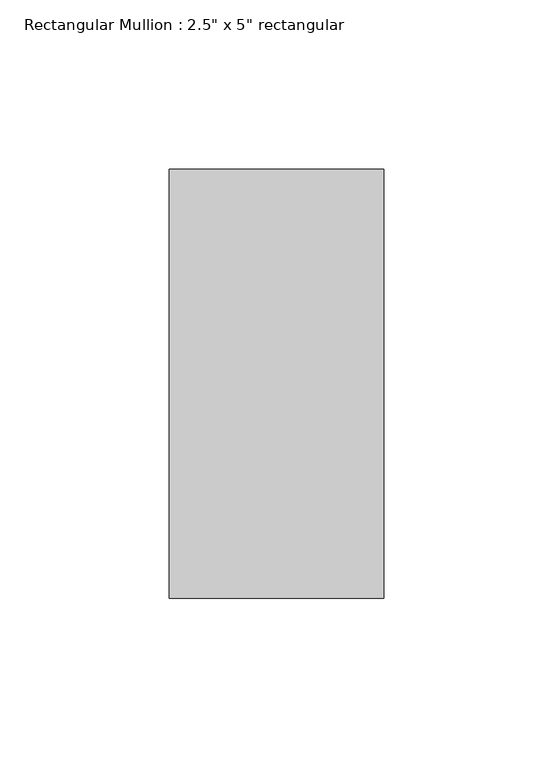
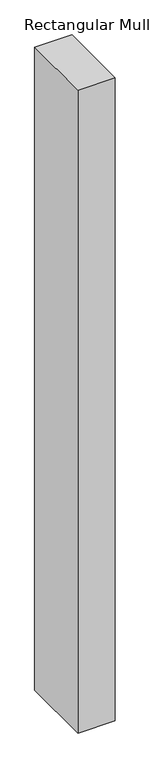
"""IFC4 building model written with IfcOpenShell, lengths in millimetres: member geometry."""

from ifc_helpers import new_model, si_unit, frame, origin, place, context, project, spatial, polyline, outline, extrude, source, transform, mapped, element, save


def member_bcc63a28(model_context):
    return source(origin(), model_context, "Body", "SweptSolid", [
        extrude(outline(polyline([(0.0, 63.5), (0.0, -63.5), (-63.5, -63.5), (-63.5, 63.5), (0.0, 63.5)])), frame((0.0, 0.0, -1155.55), z_axis=(0.0, 0.0, 1.0), x_axis=(1.0, 0.0, 0.0)), (0.0, 0.0, 1.0), 1155.55),
    ])


if __name__ == "__main__":
    model = new_model("IFC4")
    model_context = context("Model", 3, world=origin())
    ifc_project = project(units=[si_unit("LENGTHUNIT", "METRE", prefix="MILLI")], contexts=[model_context])
    site = spatial("IfcSite", under=ifc_project)
    building = spatial("IfcBuilding", under=site)
    placement = place(None, origin())
    member_shape = member_bcc63a28(model_context)
    element("IfcMember", 1, ObjectType="Rectangular Mullion : 2.5\" x 5\" rectangular", at=placement, inside=building, context=model_context, shape_type="MappedRepresentation", body=[
        mapped(member_shape, transform((0.0, 0.0, 0.0), x_axis=(1.0, 0.0, 0.0), y_axis=(0.0, 1.0, 0.0), z_axis=(0.0, 0.0, 1.0))),
    ])
    save(model, "model.ifc")
